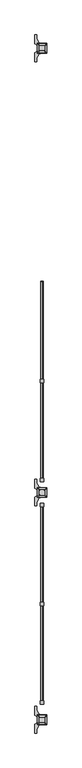
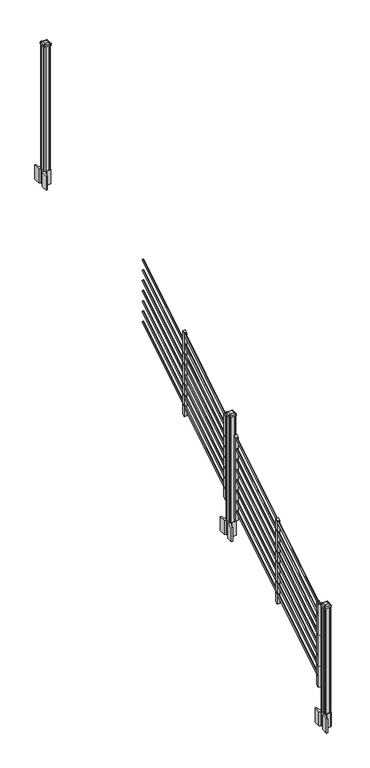
"""IFC4 building model written with IfcOpenShell, lengths in millimetres: railing geometry."""

from ifc_helpers import new_model, si_unit, point, frame, frame_2d, origin, origin_2d, place, context, project, spatial, polyline, circle_curve, trimmed, segment, composite_curve, outline, extrude, source, transform, mapped, element, save
from ifc_brep_helpers import plane_surface, extruded_surface, advanced_brep


def railing_17501598(model_context):
    return source(origin(), model_context, "Body", "SolidModel", [
        extrude(outline(composite_curve([segment(trimmed(circle_curve(origin_2d(), 8.001), [point((0.0, 8.001))], [point((0.0, -8.001))], False, "CARTESIAN"), True, "CONTINUOUS"), segment(trimmed(circle_curve(origin_2d(), 8.001), [point((0.0, -8.001))], [point((0.0, 8.001))], False, "CARTESIAN"), True, "CONTINUOUS")], self_intersect=False)), frame((9702.9274858, -140274.2068453, 1983.9796159), z_axis=(0.0, 0.8479983040051254, 0.5299989400031201), x_axis=(1.0, 0.0, 0.0)), (0.0, 0.0, 1.0), 868.6338127),
        extrude(outline(composite_curve([segment(trimmed(circle_curve(origin_2d(), 8.001), [point((0.0, 8.001))], [point((0.0, -8.001))], False, "CARTESIAN"), True, "CONTINUOUS"), segment(trimmed(circle_curve(origin_2d(), 8.001), [point((0.0, -8.001))], [point((0.0, 8.001))], False, "CARTESIAN"), True, "CONTINUOUS")], self_intersect=False)), frame((9702.9274858, -140274.2068453, 2095.1695274), z_axis=(0.0, 0.8479983040051253, 0.5299989400031203), x_axis=(1.0, 0.0, 0.0)), (0.0, 0.0, 1.0), 868.6338127),
        extrude(outline(composite_curve([segment(trimmed(circle_curve(origin_2d(), 8.001), [point((0.0, 8.001))], [point((0.0, -8.001))], False, "CARTESIAN"), True, "CONTINUOUS"), segment(trimmed(circle_curve(origin_2d(), 8.001), [point((0.0, -8.001))], [point((0.0, 8.001))], False, "CARTESIAN"), True, "CONTINUOUS")], self_intersect=False)), frame((9702.9274858, -140274.2068453, 2206.359439), z_axis=(0.0, 0.8479983040051253, 0.5299989400031203), x_axis=(1.0, 0.0, 0.0)), (0.0, 0.0, 1.0), 868.6338127),
        extrude(outline(composite_curve([segment(trimmed(circle_curve(origin_2d(), 8.001), [point((0.0, 8.001))], [point((0.0, -8.001))], False, "CARTESIAN"), True, "CONTINUOUS"), segment(trimmed(circle_curve(origin_2d(), 8.001), [point((0.0, -8.001))], [point((0.0, 8.001))], False, "CARTESIAN"), True, "CONTINUOUS")], self_intersect=False)), frame((9702.9274858, -140274.2068453, 2317.5493506), z_axis=(0.0, 0.8479983040051253, 0.5299989400031203), x_axis=(1.0, 0.0, 0.0)), (0.0, 0.0, 1.0), 868.6338127),
        extrude(outline(composite_curve([segment(trimmed(circle_curve(origin_2d(), 8.001), [point((0.0, 8.001))], [point((0.0, -8.001))], False, "CARTESIAN"), True, "CONTINUOUS"), segment(trimmed(circle_curve(origin_2d(), 8.001), [point((0.0, -8.001))], [point((0.0, 8.001))], False, "CARTESIAN"), True, "CONTINUOUS")], self_intersect=False)), frame((9702.9274858, -140274.2068453, 2428.7392622), z_axis=(0.0, 0.8479983040051254, 0.5299989400031202), x_axis=(1.0, 0.0, 0.0)), (0.0, 0.0, 1.0), 868.6338127),
        extrude(outline(composite_curve([segment(trimmed(circle_curve(origin_2d(), 8.001), [point((0.0, 8.001))], [point((0.0, -8.001))], False, "CARTESIAN"), True, "CONTINUOUS"), segment(trimmed(circle_curve(origin_2d(), 8.001), [point((0.0, -8.001))], [point((0.0, 8.001))], False, "CARTESIAN"), True, "CONTINUOUS")], self_intersect=False)), frame((9702.9274858, -140274.2068453, 2539.9291737), z_axis=(0.0, 0.8479983040051253, 0.5299989400031202), x_axis=(1.0, 0.0, 0.0)), (0.0, 0.0, 1.0), 868.6338127),
        extrude(outline(composite_curve([segment(trimmed(circle_curve(origin_2d(), 8.001), [point((0.0, 8.001))], [point((0.0, -8.001))], False, "CARTESIAN"), True, "CONTINUOUS"), segment(trimmed(circle_curve(origin_2d(), 8.001), [point((0.0, -8.001))], [point((0.0, 8.001))], False, "CARTESIAN"), True, "CONTINUOUS")], self_intersect=False)), frame((9702.9274858, -140274.2068453, 2651.1190853), z_axis=(0.0, 0.8479983040051253, 0.5299989400031203), x_axis=(1.0, 0.0, 0.0)), (0.0, 0.0, 1.0), 868.6338127),
        extrude(outline(polyline([(-140256.4268453, 1894.0103781), (-140281.8268453, 1878.1353781), (-140281.8268453, 2771.4575), (-140256.4268453, 2787.3325), (-140256.4268453, 1894.0103781)])), frame((9690.5376478, 0.0, 0.0), z_axis=(1.0, 0.0, 0.0), x_axis=(0.0, 1.0, 0.0)), (0.0, 0.0, 1.0), 25.4),
        extrude(outline(composite_curve([segment(trimmed(circle_curve(origin_2d(), 8.001), [point((0.0, 8.001))], [point((0.0, -8.001))], False, "CARTESIAN"), True, "CONTINUOUS"), segment(trimmed(circle_curve(origin_2d(), 8.001), [point((0.0, -8.001))], [point((0.0, 8.001))], False, "CARTESIAN"), True, "CONTINUOUS")], self_intersect=False)), frame((9702.9274858, -141000.6468453, 2308.2839969), z_axis=(0.0, 0.8479983040051253, 0.5299989400031202), x_axis=(1.0, 0.0, 0.0)), (0.0, 0.0, 1.0), 868.6338127),
        extrude(outline(composite_curve([segment(trimmed(circle_curve(origin_2d(), 8.001), [point((0.0, 8.001))], [point((0.0, -8.001))], False, "CARTESIAN"), True, "CONTINUOUS"), segment(trimmed(circle_curve(origin_2d(), 8.001), [point((0.0, -8.001))], [point((0.0, 8.001))], False, "CARTESIAN"), True, "CONTINUOUS")], self_intersect=False)), frame((9702.9274858, -141000.6468453, 1529.9546159), z_axis=(0.0, 0.8479983040051254, 0.5299989400031201), x_axis=(1.0, 0.0, 0.0)), (0.0, 0.0, 1.0), 868.6338127),
        extrude(outline(composite_curve([segment(trimmed(circle_curve(origin_2d(), 8.001), [point((0.0, 8.001))], [point((0.0, -8.001))], False, "CARTESIAN"), True, "CONTINUOUS"), segment(trimmed(circle_curve(origin_2d(), 8.001), [point((0.0, -8.001))], [point((0.0, 8.001))], False, "CARTESIAN"), True, "CONTINUOUS")], self_intersect=False)), frame((9702.9274858, -141000.6468453, 1641.1445274), z_axis=(0.0, 0.8479983040051253, 0.5299989400031203), x_axis=(1.0, 0.0, 0.0)), (0.0, 0.0, 1.0), 868.6338127),
        extrude(outline(composite_curve([segment(trimmed(circle_curve(origin_2d(), 8.001), [point((0.0, 8.001))], [point((0.0, -8.001))], False, "CARTESIAN"), True, "CONTINUOUS"), segment(trimmed(circle_curve(origin_2d(), 8.001), [point((0.0, -8.001))], [point((0.0, 8.001))], False, "CARTESIAN"), True, "CONTINUOUS")], self_intersect=False)), frame((9702.9274858, -141000.6468453, 1752.334439), z_axis=(0.0, 0.8479983040051253, 0.5299989400031203), x_axis=(1.0, 0.0, 0.0)), (0.0, 0.0, 1.0), 868.6338127),
        extrude(outline(composite_curve([segment(trimmed(circle_curve(origin_2d(), 8.001), [point((0.0, 8.001))], [point((0.0, -8.001))], False, "CARTESIAN"), True, "CONTINUOUS"), segment(trimmed(circle_curve(origin_2d(), 8.001), [point((0.0, -8.001))], [point((0.0, 8.001))], False, "CARTESIAN"), True, "CONTINUOUS")], self_intersect=False)), frame((9702.9274858, -141000.6468453, 1863.5243506), z_axis=(0.0, 0.8479983040051253, 0.5299989400031203), x_axis=(1.0, 0.0, 0.0)), (0.0, 0.0, 1.0), 868.6338127),
        extrude(outline(composite_curve([segment(trimmed(circle_curve(origin_2d(), 8.001), [point((0.0, 8.001))], [point((0.0, -8.001))], False, "CARTESIAN"), True, "CONTINUOUS"), segment(trimmed(circle_curve(origin_2d(), 8.001), [point((0.0, -8.001))], [point((0.0, 8.001))], False, "CARTESIAN"), True, "CONTINUOUS")], self_intersect=False)), frame((9702.9274858, -141000.6468453, 1974.7142622), z_axis=(0.0, 0.8479983040051254, 0.5299989400031202), x_axis=(1.0, 0.0, 0.0)), (0.0, 0.0, 1.0), 868.6338127),
        extrude(outline(composite_curve([segment(trimmed(circle_curve(origin_2d(), 8.001), [point((0.0, 8.001))], [point((0.0, -8.001))], False, "CARTESIAN"), True, "CONTINUOUS"), segment(trimmed(circle_curve(origin_2d(), 8.001), [point((0.0, -8.001))], [point((0.0, 8.001))], False, "CARTESIAN"), True, "CONTINUOUS")], self_intersect=False)), frame((9702.9274858, -141000.6468453, 2085.9041737), z_axis=(0.0, 0.8479983040051253, 0.5299989400031202), x_axis=(1.0, 0.0, 0.0)), (0.0, 0.0, 1.0), 868.6338127),
        extrude(outline(composite_curve([segment(trimmed(circle_curve(origin_2d(), 8.001), [point((0.0, 8.001))], [point((0.0, -8.001))], False, "CARTESIAN"), True, "CONTINUOUS"), segment(trimmed(circle_curve(origin_2d(), 8.001), [point((0.0, -8.001))], [point((0.0, 8.001))], False, "CARTESIAN"), True, "CONTINUOUS")], self_intersect=False)), frame((9702.9274858, -141000.6468453, 2197.0940853), z_axis=(0.0, 0.8479983040051253, 0.5299989400031203), x_axis=(1.0, 0.0, 0.0)), (0.0, 0.0, 1.0), 868.6338127),
        extrude(outline(polyline([(-140982.8668453, 1439.9853781), (-141008.2668453, 1424.1103781), (-141008.2668453, 2317.4325), (-140982.8668453, 2333.3075), (-140982.8668453, 1439.9853781)])), frame((9690.5376478, 0.0, 0.0), z_axis=(1.0, 0.0, 0.0), x_axis=(0.0, 1.0, 0.0)), (0.0, 0.0, 1.0), 25.4),
        extrude(outline(composite_curve([segment(polyline([(9736.2893978, -141106.1709401), (9737.8768978, -141106.9329401), (9737.8768978, -141120.4638682), (9734.6626707, -141123.6780953), (9682.9819999, -141123.6780953), (9682.9819999, -141124.5988453), (9687.3323311, -141124.5988453), (9687.3323311, -141126.0531), (9682.2478014, -141126.0531), (9682.2478014, -141127.3371238), (9690.0385135, -141127.3371238)]), True, "CONTINUOUS"), segment(trimmed(circle_curve(frame_2d((9690.0385135, -141144.0803337)), 16.7432099), [point((9690.0385135, -141127.3371238))], [point((9673.4163912, -141142.070327))], True, "CARTESIAN"), True, "CONTINUOUS"), segment(polyline([(9673.4163912, -141142.070327), (9665.7009469, -141159.1056654)]), True, "CONTINUOUS"), segment(trimmed(circle_curve(frame_2d((9710.8017103, -141175.3777151)), 47.9464123), [point((9665.7009469, -141159.1056654))], [point((9662.855298, -141175.3777151))], True, "CARTESIAN"), True, "CONTINUOUS"), segment(polyline([(9662.855298, -141175.3777151), (9662.855298, -141187.3864547), (9650.6517103, -141187.3864547), (9650.6517103, -141122.0905953), (9668.5983978, -141110.514179), (9668.5983978, -141106.9329401), (9670.1858978, -141106.1709401), (9670.1858978, -141071.9067504), (9668.5983978, -141071.1447504), (9668.5983978, -141067.5635116), (9650.6517103, -141055.9870953), (9650.6517103, -140990.6912359), (9662.855298, -140990.6912359), (9662.855298, -141002.6999755)]), True, "CONTINUOUS"), segment(trimmed(circle_curve(frame_2d((9710.8017103, -141002.6999755)), 47.9464123), [point((9662.855298, -141002.6999755))], [point((9665.7009469, -141018.9720251))], True, "CARTESIAN"), True, "CONTINUOUS"), segment(polyline([(9665.7009469, -141018.9720251), (9673.4163912, -141036.0073636)]), True, "CONTINUOUS"), segment(trimmed(circle_curve(frame_2d((9690.0385135, -141033.9973569)), 16.7432099), [point((9673.4163912, -141036.0073636))], [point((9690.0385135, -141050.7405668))], True, "CARTESIAN"), True, "CONTINUOUS"), segment(polyline([(9690.0385135, -141050.7405668), (9691.7057858, -141050.7405668), (9691.7057858, -141052.0245906), (9687.3323311, -141052.0245906), (9687.3323311, -141053.4788453), (9682.9819999, -141053.4788453), (9682.9819999, -141054.3995953), (9734.6626707, -141054.3995953), (9737.8768978, -141057.6138224), (9737.8768978, -141071.1447504), (9736.2893978, -141071.9067504), (9736.2893978, -141106.1709401)]), True, "CONTINUOUS")], self_intersect=False), holes=[polyline([(9671.4876478, -141058.8763453), (9671.4876478, -141119.2013453), (9673.0751478, -141120.7888453), (9700.4744304, -141120.7888453), (9733.4001478, -141120.7888453), (9734.9876478, -141119.2013453), (9734.9876478, -141058.8763453), (9733.4001478, -141057.2888453), (9700.4744304, -141057.2888453), (9673.0751478, -141057.2888453), (9671.4876478, -141058.8763453)])]), frame((0.0, 0.0, 1094.74), z_axis=(0.0, 0.0, 1.0), x_axis=(1.0, 0.0, 0.0)), (0.0, 0.0, 1.0), 152.4),
        advanced_brep(
        [(9687.3626478, -141108.0888453, 2412.489263), (9719.1126478, -141108.0888453, 2412.489263), (9722.2876478, -141104.9138453, 2412.489263), (9722.2876478, -141073.1638453, 2412.489263), (9719.1126478, -141069.9888453, 2412.489263), (9687.3626478, -141069.9888453, 2412.489263), (9684.1876478, -141073.1638453, 2412.489263), (9684.1876478, -141104.9138453, 2412.489263), (9670.8526478, -141124.5988453, 2401.186263), (9667.6776478, -141121.4238453, 2401.186263), (9667.6776478, -141056.6538453, 2401.186263), (9670.8526478, -141053.4788453, 2401.186263), (9735.6226478, -141053.4788453, 2401.186263), (9738.7976478, -141056.6538453, 2401.186263), (9738.7976478, -141121.4238453, 2401.186263), (9735.6226478, -141124.5988453, 2401.186263)],
        [
            (0, 1),
            (1, 2, circle_curve(frame((9719.1126478, -141104.9138453, 2412.489263), z_axis=(0.0, 0.0, 1.0), x_axis=(0.0, 1.0, 0.0)), 3.175)),
            (2, 3),
            (3, 4, circle_curve(frame((9719.1126478, -141073.1638453, 2412.489263), z_axis=(0.0, 0.0, 1.0), x_axis=(0.0, 1.0, 0.0)), 3.175)),
            (4, 5),
            (5, 6, circle_curve(frame((9687.3626478, -141073.1638453, 2412.489263), z_axis=(0.0, 0.0, 1.0), x_axis=(0.0, 1.0, 0.0)), 3.175)),
            (6, 7),
            (7, 0, circle_curve(frame((9687.3626478, -141104.9138453, 2412.489263), z_axis=(0.0, 0.0, 1.0), x_axis=(0.0, 1.0, 0.0)), 3.175)),
            (8, 9, circle_curve(frame((9670.8526478, -141121.4238453, 2401.186263), z_axis=(0.0, 0.0, -1.0), x_axis=(0.0, 1.0, 0.0)), 3.175)),
            (9, 10),
            (10, 11, circle_curve(frame((9670.8526478, -141056.6538453, 2401.186263), z_axis=(0.0, 0.0, -1.0), x_axis=(0.0, 1.0, 0.0)), 3.175)),
            (11, 12),
            (12, 13, circle_curve(frame((9735.6226478, -141056.6538453, 2401.186263), z_axis=(0.0, 0.0, -1.0), x_axis=(0.0, 1.0, 0.0)), 3.175)),
            (13, 14),
            (14, 15, circle_curve(frame((9735.6226478, -141121.4238453, 2401.186263), z_axis=(0.0, 0.0, -1.0), x_axis=(0.0, 1.0, 0.0)), 3.175)),
            (15, 8),
            (8, 0),
            (7, 9),
            (6, 10),
            (5, 11),
            (4, 12),
            (3, 13),
            (2, 14),
            (1, 15),
        ],
        [
            plane_surface(frame((9703.2376478, -141089.0388453, 2412.489263), z_axis=(0.0, 0.0, 1.0), x_axis=(-1.0, 0.0, 0.0))),
            plane_surface(frame((9703.2376478, -141089.0388453, 2401.186263), z_axis=(0.0, 0.0, -1.0), x_axis=(-1.0, 0.0, 0.0))),
            extruded_surface(trimmed(circle_curve(frame((9687.3626478, -141104.9138453, 2412.489263), z_axis=(0.0, 0.0, -1.0), x_axis=(0.0, 1.0, 0.0)), 3.175), [point((9687.3626478, -141108.0888453, 2412.489263))], [point((9684.1876478, -141104.9138453, 2412.489263))], True, "CARTESIAN"), (-16.51000000000022, -16.510000000009313, -11.302999999999884), 25.940663233624388),
            plane_surface(frame((9667.6776478, -141089.0388453, 2401.186263), z_axis=(-0.5649114395471265, 0.0, 0.8251515409116033), x_axis=(0.0, 1.0, 0.0))),
            extruded_surface(trimmed(circle_curve(frame((9687.3626478, -141073.1638453, 2412.489263), z_axis=(0.0, 0.0, -1.0), x_axis=(0.0, 1.0, 0.0)), 3.175), [point((9684.1876478, -141073.1638453, 2412.489263))], [point((9687.3626478, -141069.9888453, 2412.489263))], True, "CARTESIAN"), (-16.51000000000022, 16.510000000009313, -11.302999999999884), 25.940663233624388),
            plane_surface(frame((9703.2376478, -141053.4788453, 2401.186263), z_axis=(0.0, 0.564911439547091, 0.8251515409116277), x_axis=(1.0, 0.0, 0.0))),
            extruded_surface(trimmed(circle_curve(frame((9719.1126478, -141073.1638453, 2412.489263), z_axis=(0.0, 0.0, -1.0), x_axis=(0.0, 1.0, 0.0)), 3.175), [point((9719.1126478, -141069.9888453, 2412.489263))], [point((9722.2876478, -141073.1638453, 2412.489263))], True, "CARTESIAN"), (16.51000000000022, 16.510000000009313, -11.302999999999884), 25.940663233624388),
            plane_surface(frame((9738.7976478, -141089.0388453, 2401.186263), z_axis=(0.5649114395470568, 0.0, 0.825151540911651), x_axis=(0.0, -1.0, 0.0))),
            extruded_surface(trimmed(circle_curve(frame((9719.1126478, -141104.9138453, 2412.489263), z_axis=(0.0, 0.0, -1.0), x_axis=(0.0, 1.0, 0.0)), 3.175), [point((9722.2876478, -141104.9138453, 2412.489263))], [point((9719.1126478, -141108.0888453, 2412.489263))], True, "CARTESIAN"), (16.51000000000022, -16.510000000009313, -11.302999999999884), 25.940663233624388),
            plane_surface(frame((9703.2376478, -141124.5988453, 2401.186263), z_axis=(0.0, -0.5649114395471048, 0.8251515409116182), x_axis=(-1.0, 0.0, 0.0))),
        ],
        [
            (0, [[1, 2, 3, 4, 5, 6, 7, 8]]),
            (1, [[9, 10, 11, 12, 13, 14, 15, 16]]),
            (2, [[17, -8, 18, -9]]),
            (3, [[-18, -7, 19, -10]]),
            (4, [[-19, -6, 20, -11]]),
            (5, [[-20, -5, 21, -12]]),
            (6, [[-21, -4, 22, -13]]),
            (7, [[-22, -3, 23, -14]]),
            (8, [[-23, -2, 24, -15]]),
            (9, [[-24, -1, -17, -16]]),
        ],
    ),
        extrude(outline(composite_curve([segment(trimmed(circle_curve(frame_2d((9670.8526478, -141121.4238453)), 3.175), [point((9670.8526478, -141124.5988453))], [point((9667.6776478, -141121.4238453))], False, "CARTESIAN"), True, "CONTINUOUS"), segment(polyline([(9667.6776478, -141121.4238453), (9667.6776478, -141056.6538453)]), True, "CONTINUOUS"), segment(trimmed(circle_curve(frame_2d((9670.8526478, -141056.6538453)), 3.175), [point((9667.6776478, -141056.6538453))], [point((9670.8526478, -141053.4788453))], False, "CARTESIAN"), True, "CONTINUOUS"), segment(polyline([(9670.8526478, -141053.4788453), (9735.6226478, -141053.4788453)]), True, "CONTINUOUS"), segment(trimmed(circle_curve(frame_2d((9735.6226478, -141056.6538453)), 3.175), [point((9735.6226478, -141053.4788453))], [point((9738.7976478, -141056.6538453))], False, "CARTESIAN"), True, "CONTINUOUS"), segment(polyline([(9738.7976478, -141056.6538453), (9738.7976478, -141121.4238453)]), True, "CONTINUOUS"), segment(trimmed(circle_curve(frame_2d((9735.6226478, -141121.4238453)), 3.175), [point((9738.7976478, -141121.4238453))], [point((9735.6226478, -141124.5988453))], False, "CARTESIAN"), True, "CONTINUOUS"), segment(polyline([(9735.6226478, -141124.5988453), (9670.8526478, -141124.5988453)]), True, "CONTINUOUS")], self_intersect=False)), frame((0.0, 0.0, 2383.914263), z_axis=(0.0, 0.0, 1.0), x_axis=(1.0, 0.0, 0.0)), (0.0, 0.0, 1.0), 17.272),
        extrude(outline(polyline([(9673.0751478, -141120.7888453), (9671.4876478, -141119.2013453), (9671.4876478, -141108.8508453), (9673.0751478, -141108.0888453), (9673.0751478, -141069.9888453), (9671.4876478, -141069.2268453), (9671.4876478, -141058.8763453), (9673.0751478, -141057.2888453), (9683.4256478, -141057.2888453), (9684.1876478, -141058.8763453), (9722.2876478, -141058.8763453), (9723.0496478, -141057.2888453), (9733.4001478, -141057.2888453), (9734.9876478, -141058.8763453), (9734.9876478, -141069.2268453), (9733.4001478, -141069.9888453), (9733.4001478, -141108.0888453), (9734.9876478, -141108.8508453), (9734.9876478, -141119.2013453), (9733.4001478, -141120.7888453), (9723.0496478, -141120.7888453), (9722.2876478, -141119.2013453), (9684.1876478, -141119.2013453), (9683.4256478, -141120.7888453), (9673.0751478, -141120.7888453)])), frame((0.0, 0.0, 1247.14), z_axis=(0.0, 0.0, 1.0), x_axis=(1.0, 0.0, 0.0)), (0.0, 0.0, 1.0), 1136.774263),
        extrude(outline(polyline([(-141169.8108453, 1323.1453781), (-141195.2108453, 1307.2703781), (-141195.2108453, 2200.5925), (-141169.8108453, 2216.4675), (-141169.8108453, 1323.1453781)])), frame((9690.5376478, 0.0, 0.0), z_axis=(1.0, 0.0, 0.0), x_axis=(0.0, 1.0, 0.0)), (0.0, 0.0, 1.0), 25.4),
        extrude(outline(composite_curve([segment(trimmed(circle_curve(origin_2d(), 8.001), [point((0.0, 8.001))], [point((0.0, -8.001))], False, "CARTESIAN"), True, "CONTINUOUS"), segment(trimmed(circle_curve(origin_2d(), 8.001), [point((0.0, -8.001))], [point((0.0, 8.001))], False, "CARTESIAN"), True, "CONTINUOUS")], self_intersect=False)), frame((9702.9274858, -141914.0308453, 1737.4189969), z_axis=(0.0, 0.8479983040051253, 0.5299989400031202), x_axis=(1.0, 0.0, 0.0)), (0.0, 0.0, 1.0), 868.6338127),
        extrude(outline(composite_curve([segment(trimmed(circle_curve(origin_2d(), 8.001), [point((0.0, 8.001))], [point((0.0, -8.001))], False, "CARTESIAN"), True, "CONTINUOUS"), segment(trimmed(circle_curve(origin_2d(), 8.001), [point((0.0, -8.001))], [point((0.0, 8.001))], False, "CARTESIAN"), True, "CONTINUOUS")], self_intersect=False)), frame((9702.9274858, -141914.0308453, 959.0896159), z_axis=(0.0, 0.8479983040051254, 0.5299989400031201), x_axis=(1.0, 0.0, 0.0)), (0.0, 0.0, 1.0), 868.6338127),
        extrude(outline(composite_curve([segment(trimmed(circle_curve(origin_2d(), 8.001), [point((0.0, 8.001))], [point((0.0, -8.001))], False, "CARTESIAN"), True, "CONTINUOUS"), segment(trimmed(circle_curve(origin_2d(), 8.001), [point((0.0, -8.001))], [point((0.0, 8.001))], False, "CARTESIAN"), True, "CONTINUOUS")], self_intersect=False)), frame((9702.9274858, -141914.0308453, 1070.2795274), z_axis=(0.0, 0.8479983040051253, 0.5299989400031203), x_axis=(1.0, 0.0, 0.0)), (0.0, 0.0, 1.0), 868.6338127),
        extrude(outline(composite_curve([segment(trimmed(circle_curve(origin_2d(), 8.001), [point((0.0, 8.001))], [point((0.0, -8.001))], False, "CARTESIAN"), True, "CONTINUOUS"), segment(trimmed(circle_curve(origin_2d(), 8.001), [point((0.0, -8.001))], [point((0.0, 8.001))], False, "CARTESIAN"), True, "CONTINUOUS")], self_intersect=False)), frame((9702.9274858, -141914.0308453, 1181.469439), z_axis=(0.0, 0.8479983040051253, 0.5299989400031203), x_axis=(1.0, 0.0, 0.0)), (0.0, 0.0, 1.0), 868.6338127),
        extrude(outline(composite_curve([segment(trimmed(circle_curve(origin_2d(), 8.001), [point((0.0, 8.001))], [point((0.0, -8.001))], False, "CARTESIAN"), True, "CONTINUOUS"), segment(trimmed(circle_curve(origin_2d(), 8.001), [point((0.0, -8.001))], [point((0.0, 8.001))], False, "CARTESIAN"), True, "CONTINUOUS")], self_intersect=False)), frame((9702.9274858, -141914.0308453, 1292.6593506), z_axis=(0.0, 0.8479983040051253, 0.5299989400031203), x_axis=(1.0, 0.0, 0.0)), (0.0, 0.0, 1.0), 868.6338127),
        extrude(outline(composite_curve([segment(trimmed(circle_curve(origin_2d(), 8.001), [point((0.0, 8.001))], [point((0.0, -8.001))], False, "CARTESIAN"), True, "CONTINUOUS"), segment(trimmed(circle_curve(origin_2d(), 8.001), [point((0.0, -8.001))], [point((0.0, 8.001))], False, "CARTESIAN"), True, "CONTINUOUS")], self_intersect=False)), frame((9702.9274858, -141914.0308453, 1403.8492622), z_axis=(0.0, 0.8479983040051254, 0.5299989400031202), x_axis=(1.0, 0.0, 0.0)), (0.0, 0.0, 1.0), 868.6338127),
        extrude(outline(composite_curve([segment(trimmed(circle_curve(origin_2d(), 8.001), [point((0.0, 8.001))], [point((0.0, -8.001))], False, "CARTESIAN"), True, "CONTINUOUS"), segment(trimmed(circle_curve(origin_2d(), 8.001), [point((0.0, -8.001))], [point((0.0, 8.001))], False, "CARTESIAN"), True, "CONTINUOUS")], self_intersect=False)), frame((9702.9274858, -141914.0308453, 1515.0391737), z_axis=(0.0, 0.8479983040051253, 0.5299989400031202), x_axis=(1.0, 0.0, 0.0)), (0.0, 0.0, 1.0), 868.6338127),
        extrude(outline(composite_curve([segment(trimmed(circle_curve(origin_2d(), 8.001), [point((0.0, 8.001))], [point((0.0, -8.001))], False, "CARTESIAN"), True, "CONTINUOUS"), segment(trimmed(circle_curve(origin_2d(), 8.001), [point((0.0, -8.001))], [point((0.0, 8.001))], False, "CARTESIAN"), True, "CONTINUOUS")], self_intersect=False)), frame((9702.9274858, -141914.0308453, 1626.2290853), z_axis=(0.0, 0.8479983040051253, 0.5299989400031203), x_axis=(1.0, 0.0, 0.0)), (0.0, 0.0, 1.0), 868.6338127),
        extrude(outline(polyline([(-141896.2508453, 869.1203781), (-141921.6508453, 853.2453781), (-141921.6508453, 1746.5675), (-141896.2508453, 1762.4425), (-141896.2508453, 869.1203781)])), frame((9690.5376478, 0.0, 0.0), z_axis=(1.0, 0.0, 0.0), x_axis=(0.0, 1.0, 0.0)), (0.0, 0.0, 1.0), 25.4),
        extrude(outline(composite_curve([segment(trimmed(circle_curve(origin_2d(), 8.001), [point((0.0, 8.001))], [point((0.0, -8.001))], False, "CARTESIAN"), True, "CONTINUOUS"), segment(trimmed(circle_curve(origin_2d(), 8.001), [point((0.0, -8.001))], [point((0.0, 8.001))], False, "CARTESIAN"), True, "CONTINUOUS")], self_intersect=False)), frame((9702.9274858, -142640.4708453, 1283.3939969), z_axis=(0.0, 0.8479983040051253, 0.5299989400031202), x_axis=(1.0, 0.0, 0.0)), (0.0, 0.0, 1.0), 868.6338127),
        extrude(outline(composite_curve([segment(trimmed(circle_curve(origin_2d(), 8.001), [point((0.0, 8.001))], [point((0.0, -8.001))], False, "CARTESIAN"), True, "CONTINUOUS"), segment(trimmed(circle_curve(origin_2d(), 8.001), [point((0.0, -8.001))], [point((0.0, 8.001))], False, "CARTESIAN"), True, "CONTINUOUS")], self_intersect=False)), frame((9702.9274858, -142640.4708453, 505.0646159), z_axis=(0.0, 0.8479983040051254, 0.5299989400031201), x_axis=(1.0, 0.0, 0.0)), (0.0, 0.0, 1.0), 868.6338127),
        extrude(outline(composite_curve([segment(trimmed(circle_curve(origin_2d(), 8.001), [point((0.0, 8.001))], [point((0.0, -8.001))], False, "CARTESIAN"), True, "CONTINUOUS"), segment(trimmed(circle_curve(origin_2d(), 8.001), [point((0.0, -8.001))], [point((0.0, 8.001))], False, "CARTESIAN"), True, "CONTINUOUS")], self_intersect=False)), frame((9702.9274858, -142640.4708453, 616.2545274), z_axis=(0.0, 0.8479983040051253, 0.5299989400031203), x_axis=(1.0, 0.0, 0.0)), (0.0, 0.0, 1.0), 868.6338127),
        extrude(outline(composite_curve([segment(trimmed(circle_curve(origin_2d(), 8.001), [point((0.0, 8.001))], [point((0.0, -8.001))], False, "CARTESIAN"), True, "CONTINUOUS"), segment(trimmed(circle_curve(origin_2d(), 8.001), [point((0.0, -8.001))], [point((0.0, 8.001))], False, "CARTESIAN"), True, "CONTINUOUS")], self_intersect=False)), frame((9702.9274858, -142640.4708453, 727.444439), z_axis=(0.0, 0.8479983040051253, 0.5299989400031203), x_axis=(1.0, 0.0, 0.0)), (0.0, 0.0, 1.0), 868.6338127),
        extrude(outline(composite_curve([segment(trimmed(circle_curve(origin_2d(), 8.001), [point((0.0, 8.001))], [point((0.0, -8.001))], False, "CARTESIAN"), True, "CONTINUOUS"), segment(trimmed(circle_curve(origin_2d(), 8.001), [point((0.0, -8.001))], [point((0.0, 8.001))], False, "CARTESIAN"), True, "CONTINUOUS")], self_intersect=False)), frame((9702.9274858, -142640.4708453, 838.6343506), z_axis=(0.0, 0.8479983040051253, 0.5299989400031203), x_axis=(1.0, 0.0, 0.0)), (0.0, 0.0, 1.0), 868.6338127),
        extrude(outline(composite_curve([segment(trimmed(circle_curve(origin_2d(), 8.001), [point((0.0, 8.001))], [point((0.0, -8.001))], False, "CARTESIAN"), True, "CONTINUOUS"), segment(trimmed(circle_curve(origin_2d(), 8.001), [point((0.0, -8.001))], [point((0.0, 8.001))], False, "CARTESIAN"), True, "CONTINUOUS")], self_intersect=False)), frame((9702.9274858, -142640.4708453, 949.8242622), z_axis=(0.0, 0.8479983040051254, 0.5299989400031202), x_axis=(1.0, 0.0, 0.0)), (0.0, 0.0, 1.0), 868.6338127),
        extrude(outline(composite_curve([segment(trimmed(circle_curve(origin_2d(), 8.001), [point((0.0, 8.001))], [point((0.0, -8.001))], False, "CARTESIAN"), True, "CONTINUOUS"), segment(trimmed(circle_curve(origin_2d(), 8.001), [point((0.0, -8.001))], [point((0.0, 8.001))], False, "CARTESIAN"), True, "CONTINUOUS")], self_intersect=False)), frame((9702.9274858, -142640.4708453, 1061.0141737), z_axis=(0.0, 0.8479983040051253, 0.5299989400031202), x_axis=(1.0, 0.0, 0.0)), (0.0, 0.0, 1.0), 868.6338127),
        extrude(outline(composite_curve([segment(trimmed(circle_curve(origin_2d(), 8.001), [point((0.0, 8.001))], [point((0.0, -8.001))], False, "CARTESIAN"), True, "CONTINUOUS"), segment(trimmed(circle_curve(origin_2d(), 8.001), [point((0.0, -8.001))], [point((0.0, 8.001))], False, "CARTESIAN"), True, "CONTINUOUS")], self_intersect=False)), frame((9702.9274858, -142640.4708453, 1172.2040853), z_axis=(0.0, 0.8479983040051253, 0.5299989400031203), x_axis=(1.0, 0.0, 0.0)), (0.0, 0.0, 1.0), 868.6338127),
        extrude(outline(polyline([(-142622.6908453, 415.0953781), (-142648.0908453, 399.2203781), (-142648.0908453, 1292.5425), (-142622.6908453, 1308.4175), (-142622.6908453, 415.0953781)])), frame((9690.5376478, 0.0, 0.0), z_axis=(1.0, 0.0, 0.0), x_axis=(0.0, 1.0, 0.0)), (0.0, 0.0, 1.0), 25.4),
        extrude(outline(polyline([(9673.0751478, -137852.0628453), (9671.4876478, -137850.4753453), (9671.4876478, -137840.1248453), (9673.0751478, -137839.3628453), (9673.0751478, -137801.2628453), (9671.4876478, -137800.5008453), (9671.4876478, -137790.1503453), (9673.0751478, -137788.5628453), (9683.4256478, -137788.5628453), (9684.1876478, -137790.1503453), (9722.2876478, -137790.1503453), (9723.0496478, -137788.5628453), (9733.4001478, -137788.5628453), (9734.9876478, -137790.1503453), (9734.9876478, -137800.5008453), (9733.4001478, -137801.2628453), (9733.4001478, -137839.3628453), (9734.9876478, -137840.1248453), (9734.9876478, -137850.4753453), (9733.4001478, -137852.0628453), (9723.0496478, -137852.0628453), (9722.2876478, -137850.4753453), (9684.1876478, -137850.4753453), (9683.4256478, -137852.0628453), (9673.0751478, -137852.0628453)])), frame((0.0, 0.0, 3048.0), z_axis=(0.0, 0.0, 1.0), x_axis=(1.0, 0.0, 0.0)), (0.0, 0.0, 1.0), 1339.974263),
        extrude(outline(composite_curve([segment(polyline([(9736.2893978, -137837.4449401), (9737.8768978, -137838.2069401), (9737.8768978, -137851.7378682), (9734.6626707, -137854.9520953), (9682.9819999, -137854.9520953), (9682.9819999, -137855.8728453), (9687.3323311, -137855.8728453), (9687.3323311, -137857.3271), (9682.2478014, -137857.3271), (9682.2478014, -137858.6111238), (9690.0385135, -137858.6111238)]), True, "CONTINUOUS"), segment(trimmed(circle_curve(frame_2d((9690.0385135, -137875.3543337)), 16.7432099), [point((9690.0385135, -137858.6111238))], [point((9673.4163912, -137873.344327))], True, "CARTESIAN"), True, "CONTINUOUS"), segment(polyline([(9673.4163912, -137873.344327), (9665.7009469, -137890.3796654)]), True, "CONTINUOUS"), segment(trimmed(circle_curve(frame_2d((9710.8017103, -137906.6517151)), 47.9464123), [point((9665.7009469, -137890.3796654))], [point((9662.855298, -137906.6517151))], True, "CARTESIAN"), True, "CONTINUOUS"), segment(polyline([(9662.855298, -137906.6517151), (9662.855298, -137918.6604547), (9650.6517103, -137918.6604547), (9650.6517103, -137853.3645953), (9668.5983978, -137841.788179), (9668.5983978, -137838.2069401), (9670.1858978, -137837.4449401), (9670.1858978, -137803.1807504), (9668.5983978, -137802.4187504), (9668.5983978, -137798.8375116), (9650.6517103, -137787.2610953), (9650.6517103, -137721.9652359), (9662.855298, -137721.9652359), (9662.855298, -137733.9739755)]), True, "CONTINUOUS"), segment(trimmed(circle_curve(frame_2d((9710.8017103, -137733.9739755)), 47.9464123), [point((9662.855298, -137733.9739755))], [point((9665.7009469, -137750.2460251))], True, "CARTESIAN"), True, "CONTINUOUS"), segment(polyline([(9665.7009469, -137750.2460251), (9673.4163912, -137767.2813636)]), True, "CONTINUOUS"), segment(trimmed(circle_curve(frame_2d((9690.0385135, -137765.2713569)), 16.7432099), [point((9673.4163912, -137767.2813636))], [point((9690.0385135, -137782.0145668))], True, "CARTESIAN"), True, "CONTINUOUS"), segment(polyline([(9690.0385135, -137782.0145668), (9691.7057858, -137782.0145668), (9691.7057858, -137783.2985906), (9687.3323311, -137783.2985906), (9687.3323311, -137784.7528453), (9682.9819999, -137784.7528453), (9682.9819999, -137785.6735953), (9734.6626707, -137785.6735953), (9737.8768978, -137788.8878224), (9737.8768978, -137802.4187504), (9736.2893978, -137803.1807504), (9736.2893978, -137837.4449401)]), True, "CONTINUOUS")], self_intersect=False), holes=[polyline([(9671.4876478, -137790.1503453), (9671.4876478, -137850.4753453), (9673.0751478, -137852.0628453), (9700.4744304, -137852.0628453), (9733.4001478, -137852.0628453), (9734.9876478, -137850.4753453), (9734.9876478, -137790.1503453), (9733.4001478, -137788.5628453), (9700.4744304, -137788.5628453), (9673.0751478, -137788.5628453), (9671.4876478, -137790.1503453)])]), frame((0.0, 0.0, 2895.6), z_axis=(0.0, 0.0, 1.0), x_axis=(1.0, 0.0, 0.0)), (0.0, 0.0, 1.0), 152.4),
        advanced_brep(
        [(9687.3626478, -137839.3628453, 4416.549263), (9719.1126478, -137839.3628453, 4416.549263), (9722.2876478, -137836.1878453, 4416.549263), (9722.2876478, -137804.4378453, 4416.549263), (9719.1126478, -137801.2628453, 4416.549263), (9687.3626478, -137801.2628453, 4416.549263), (9684.1876478, -137804.4378453, 4416.549263), (9684.1876478, -137836.1878453, 4416.549263), (9670.8526478, -137855.8728453, 4405.246263), (9667.6776478, -137852.6978453, 4405.246263), (9667.6776478, -137787.9278453, 4405.246263), (9670.8526478, -137784.7528453, 4405.246263), (9735.6226478, -137784.7528453, 4405.246263), (9738.7976478, -137787.9278453, 4405.246263), (9738.7976478, -137852.6978453, 4405.246263), (9735.6226478, -137855.8728453, 4405.246263)],
        [
            (0, 1),
            (1, 2, circle_curve(frame((9719.1126478, -137836.1878453, 4416.549263), z_axis=(0.0, 0.0, 1.0), x_axis=(0.0, 1.0, 0.0)), 3.175)),
            (2, 3),
            (3, 4, circle_curve(frame((9719.1126478, -137804.4378453, 4416.549263), z_axis=(0.0, 0.0, 1.0), x_axis=(0.0, 1.0, 0.0)), 3.175)),
            (4, 5),
            (5, 6, circle_curve(frame((9687.3626478, -137804.4378453, 4416.549263), z_axis=(0.0, 0.0, 1.0), x_axis=(0.0, 1.0, 0.0)), 3.175)),
            (6, 7),
            (7, 0, circle_curve(frame((9687.3626478, -137836.1878453, 4416.549263), z_axis=(0.0, 0.0, 1.0), x_axis=(0.0, 1.0, 0.0)), 3.175)),
            (8, 9, circle_curve(frame((9670.8526478, -137852.6978453, 4405.246263), z_axis=(0.0, 0.0, -1.0), x_axis=(0.0, 1.0, 0.0)), 3.175)),
            (9, 10),
            (10, 11, circle_curve(frame((9670.8526478, -137787.9278453, 4405.246263), z_axis=(0.0, 0.0, -1.0), x_axis=(0.0, 1.0, 0.0)), 3.175)),
            (11, 12),
            (12, 13, circle_curve(frame((9735.6226478, -137787.9278453, 4405.246263), z_axis=(0.0, 0.0, -1.0), x_axis=(0.0, 1.0, 0.0)), 3.175)),
            (13, 14),
            (14, 15, circle_curve(frame((9735.6226478, -137852.6978453, 4405.246263), z_axis=(0.0, 0.0, -1.0), x_axis=(0.0, 1.0, 0.0)), 3.175)),
            (15, 8),
            (8, 0),
            (7, 9),
            (6, 10),
            (5, 11),
            (4, 12),
            (3, 13),
            (2, 14),
            (1, 15),
        ],
        [
            plane_surface(frame((9703.2376478, -137820.3128453, 4416.549263), z_axis=(0.0, 0.0, 1.0), x_axis=(-1.0, 0.0, 0.0))),
            plane_surface(frame((9703.2376478, -137820.3128453, 4405.246263), z_axis=(0.0, 0.0, -1.0), x_axis=(-1.0, 0.0, 0.0))),
            extruded_surface(trimmed(circle_curve(frame((9687.3626478, -137836.1878453, 4416.549263), z_axis=(0.0, 0.0, -1.0), x_axis=(0.0, 1.0, 0.0)), 3.175), [point((9687.3626478, -137839.3628453, 4416.549263))], [point((9684.1876478, -137836.1878453, 4416.549263))], True, "CARTESIAN"), (-16.51000000000022, -16.50999999998021, -11.302999999999884), 25.940663233605864),
            plane_surface(frame((9667.6776478, -137820.3128453, 4405.246263), z_axis=(-0.5649114395471312, 0.0, 0.8251515409116001), x_axis=(0.0, 1.0, 0.0))),
            extruded_surface(trimmed(circle_curve(frame((9687.3626478, -137804.4378453, 4416.549263), z_axis=(0.0, 0.0, -1.0), x_axis=(0.0, 1.0, 0.0)), 3.175), [point((9684.1876478, -137804.4378453, 4416.549263))], [point((9687.3626478, -137801.2628453, 4416.549263))], True, "CARTESIAN"), (-16.51000000000022, 16.510000000009313, -11.302999999999884), 25.940663233624388),
            plane_surface(frame((9703.2376478, -137784.7528453, 4405.246263), z_axis=(0.0, 0.564911439547091, 0.8251515409116277), x_axis=(1.0, 0.0, 0.0))),
            extruded_surface(trimmed(circle_curve(frame((9719.1126478, -137804.4378453, 4416.549263), z_axis=(0.0, 0.0, -1.0), x_axis=(0.0, 1.0, 0.0)), 3.175), [point((9719.1126478, -137801.2628453, 4416.549263))], [point((9722.2876478, -137804.4378453, 4416.549263))], True, "CARTESIAN"), (16.51000000000022, 16.510000000009313, -11.302999999999884), 25.940663233624388),
            plane_surface(frame((9738.7976478, -137820.3128453, 4405.246263), z_axis=(0.5649114395470521, 0.0, 0.8251515409116541), x_axis=(0.0, -1.0, 0.0))),
            extruded_surface(trimmed(circle_curve(frame((9719.1126478, -137836.1878453, 4416.549263), z_axis=(0.0, 0.0, -1.0), x_axis=(0.0, 1.0, 0.0)), 3.175), [point((9722.2876478, -137836.1878453, 4416.549263))], [point((9719.1126478, -137839.3628453, 4416.549263))], True, "CARTESIAN"), (16.51000000000022, -16.50999999998021, -11.302999999999884), 25.940663233605864),
            plane_surface(frame((9703.2376478, -137855.8728453, 4405.246263), z_axis=(0.0, -0.5649114395471048, 0.8251515409116182), x_axis=(-1.0, 0.0, 0.0))),
        ],
        [
            (0, [[1, 2, 3, 4, 5, 6, 7, 8]]),
            (1, [[9, 10, 11, 12, 13, 14, 15, 16]]),
            (2, [[17, -8, 18, -9]]),
            (3, [[-18, -7, 19, -10]]),
            (4, [[-19, -6, 20, -11]]),
            (5, [[-20, -5, 21, -12]]),
            (6, [[-21, -4, 22, -13]]),
            (7, [[-22, -3, 23, -14]]),
            (8, [[-23, -2, 24, -15]]),
            (9, [[-24, -1, -17, -16]]),
        ],
    ),
        extrude(outline(composite_curve([segment(trimmed(circle_curve(frame_2d((9670.8526478, -137852.6978453)), 3.175), [point((9670.8526478, -137855.8728453))], [point((9667.6776478, -137852.6978453))], False, "CARTESIAN"), True, "CONTINUOUS"), segment(polyline([(9667.6776478, -137852.6978453), (9667.6776478, -137787.9278453)]), True, "CONTINUOUS"), segment(trimmed(circle_curve(frame_2d((9670.8526478, -137787.9278453)), 3.175), [point((9667.6776478, -137787.9278453))], [point((9670.8526478, -137784.7528453))], False, "CARTESIAN"), True, "CONTINUOUS"), segment(polyline([(9670.8526478, -137784.7528453), (9735.6226478, -137784.7528453)]), True, "CONTINUOUS"), segment(trimmed(circle_curve(frame_2d((9735.6226478, -137787.9278453)), 3.175), [point((9735.6226478, -137784.7528453))], [point((9738.7976478, -137787.9278453))], False, "CARTESIAN"), True, "CONTINUOUS"), segment(polyline([(9738.7976478, -137787.9278453), (9738.7976478, -137852.6978453)]), True, "CONTINUOUS"), segment(trimmed(circle_curve(frame_2d((9735.6226478, -137852.6978453)), 3.175), [point((9738.7976478, -137852.6978453))], [point((9735.6226478, -137855.8728453))], False, "CARTESIAN"), True, "CONTINUOUS"), segment(polyline([(9735.6226478, -137855.8728453), (9670.8526478, -137855.8728453)]), True, "CONTINUOUS")], self_intersect=False)), frame((0.0, 0.0, 4387.974263), z_axis=(0.0, 0.0, 1.0), x_axis=(1.0, 0.0, 0.0)), (0.0, 0.0, 1.0), 17.272),
        extrude(outline(composite_curve([segment(polyline([(9736.2893978, -142777.7449401), (9737.8768978, -142778.5069401), (9737.8768978, -142792.0378682), (9734.6626707, -142795.2520953), (9682.9819999, -142795.2520953), (9682.9819999, -142796.1728453), (9687.3323311, -142796.1728453), (9687.3323311, -142797.6271), (9682.2478014, -142797.6271), (9682.2478014, -142798.9111238), (9690.0385135, -142798.9111238)]), True, "CONTINUOUS"), segment(trimmed(circle_curve(frame_2d((9690.0385135, -142815.6543337)), 16.7432099), [point((9690.0385135, -142798.9111238))], [point((9673.4163912, -142813.644327))], True, "CARTESIAN"), True, "CONTINUOUS"), segment(polyline([(9673.4163912, -142813.644327), (9665.7009469, -142830.6796654)]), True, "CONTINUOUS"), segment(trimmed(circle_curve(frame_2d((9710.8017103, -142846.9517151)), 47.9464123), [point((9665.7009469, -142830.6796654))], [point((9662.855298, -142846.9517151))], True, "CARTESIAN"), True, "CONTINUOUS"), segment(polyline([(9662.855298, -142846.9517151), (9662.855298, -142858.9604547), (9650.6517103, -142858.9604547), (9650.6517103, -142793.6645953), (9668.5983978, -142782.088179), (9668.5983978, -142778.5069401), (9670.1858978, -142777.7449401), (9670.1858978, -142743.4807504), (9668.5983978, -142742.7187504), (9668.5983978, -142739.1375116), (9650.6517103, -142727.5610953), (9650.6517103, -142662.2652359), (9662.855298, -142662.2652359), (9662.855298, -142674.2739755)]), True, "CONTINUOUS"), segment(trimmed(circle_curve(frame_2d((9710.8017103, -142674.2739755)), 47.9464123), [point((9662.855298, -142674.2739755))], [point((9665.7009469, -142690.5460251))], True, "CARTESIAN"), True, "CONTINUOUS"), segment(polyline([(9665.7009469, -142690.5460251), (9673.4163912, -142707.5813636)]), True, "CONTINUOUS"), segment(trimmed(circle_curve(frame_2d((9690.0385135, -142705.5713569)), 16.7432099), [point((9673.4163912, -142707.5813636))], [point((9690.0385135, -142722.3145668))], True, "CARTESIAN"), True, "CONTINUOUS"), segment(polyline([(9690.0385135, -142722.3145668), (9691.7057858, -142722.3145668), (9691.7057858, -142723.5985906), (9687.3323311, -142723.5985906), (9687.3323311, -142725.0528453), (9682.9819999, -142725.0528453), (9682.9819999, -142725.9735953), (9734.6626707, -142725.9735953), (9737.8768978, -142729.1878224), (9737.8768978, -142742.7187504), (9736.2893978, -142743.4807504), (9736.2893978, -142777.7449401)]), True, "CONTINUOUS")], self_intersect=False), holes=[polyline([(9671.4876478, -142730.4503453), (9671.4876478, -142790.7753453), (9673.0751478, -142792.3628453), (9700.4744304, -142792.3628453), (9733.4001478, -142792.3628453), (9734.9876478, -142790.7753453), (9734.9876478, -142730.4503453), (9733.4001478, -142728.8628453), (9700.4744304, -142728.8628453), (9673.0751478, -142728.8628453), (9671.4876478, -142730.4503453)])]), frame((0.0, 0.0, 50.00625), z_axis=(0.0, 0.0, 1.0), x_axis=(1.0, 0.0, 0.0)), (0.0, 0.0, 1.0), 152.4),
        advanced_brep(
        [(9687.3626478, -142779.6628453, 1367.755513), (9719.1126478, -142779.6628453, 1367.755513), (9722.2876478, -142776.4878453, 1367.755513), (9722.2876478, -142744.7378453, 1367.755513), (9719.1126478, -142741.5628453, 1367.755513), (9687.3626478, -142741.5628453, 1367.755513), (9684.1876478, -142744.7378453, 1367.755513), (9684.1876478, -142776.4878453, 1367.755513), (9670.8526478, -142796.1728453, 1356.452513), (9667.6776478, -142792.9978453, 1356.452513), (9667.6776478, -142728.2278453, 1356.452513), (9670.8526478, -142725.0528453, 1356.452513), (9735.6226478, -142725.0528453, 1356.452513), (9738.7976478, -142728.2278453, 1356.452513), (9738.7976478, -142792.9978453, 1356.452513), (9735.6226478, -142796.1728453, 1356.452513)],
        [
            (0, 1),
            (1, 2, circle_curve(frame((9719.1126478, -142776.4878453, 1367.755513), z_axis=(0.0, 0.0, 1.0), x_axis=(0.0, 1.0, 0.0)), 3.175)),
            (2, 3),
            (3, 4, circle_curve(frame((9719.1126478, -142744.7378453, 1367.755513), z_axis=(0.0, 0.0, 1.0), x_axis=(0.0, 1.0, 0.0)), 3.175)),
            (4, 5),
            (5, 6, circle_curve(frame((9687.3626478, -142744.7378453, 1367.755513), z_axis=(0.0, 0.0, 1.0), x_axis=(0.0, 1.0, 0.0)), 3.175)),
            (6, 7),
            (7, 0, circle_curve(frame((9687.3626478, -142776.4878453, 1367.755513), z_axis=(0.0, 0.0, 1.0), x_axis=(0.0, 1.0, 0.0)), 3.175)),
            (8, 9, circle_curve(frame((9670.8526478, -142792.9978453, 1356.452513), z_axis=(0.0, 0.0, -1.0), x_axis=(0.0, 1.0, 0.0)), 3.175)),
            (9, 10),
            (10, 11, circle_curve(frame((9670.8526478, -142728.2278453, 1356.452513), z_axis=(0.0, 0.0, -1.0), x_axis=(0.0, 1.0, 0.0)), 3.175)),
            (11, 12),
            (12, 13, circle_curve(frame((9735.6226478, -142728.2278453, 1356.452513), z_axis=(0.0, 0.0, -1.0), x_axis=(0.0, 1.0, 0.0)), 3.175)),
            (13, 14),
            (14, 15, circle_curve(frame((9735.6226478, -142792.9978453, 1356.452513), z_axis=(0.0, 0.0, -1.0), x_axis=(0.0, 1.0, 0.0)), 3.175)),
            (15, 8),
            (8, 0),
            (7, 9),
            (6, 10),
            (5, 11),
            (4, 12),
            (3, 13),
            (2, 14),
            (1, 15),
        ],
        [
            plane_surface(frame((9703.2376478, -142760.6128453, 1367.755513), z_axis=(0.0, 0.0, 1.0), x_axis=(-1.0, 0.0, 0.0))),
            plane_surface(frame((9703.2376478, -142760.6128453, 1356.452513), z_axis=(0.0, 0.0, -1.0), x_axis=(-1.0, 0.0, 0.0))),
            extruded_surface(trimmed(circle_curve(frame((9687.3626478, -142776.4878453, 1367.755513), z_axis=(0.0, 0.0, -1.0), x_axis=(0.0, 1.0, 0.0)), 3.175), [point((9687.3626478, -142779.6628453, 1367.755513))], [point((9684.1876478, -142776.4878453, 1367.755513))], True, "CARTESIAN"), (-16.51000000000022, -16.510000000009313, -11.303000000000111), 25.940663233624488),
            plane_surface(frame((9667.6776478, -142760.6128453, 1356.452513), z_axis=(-0.5649114395471265, 0.0, 0.8251515409116033), x_axis=(0.0, 1.0, 0.0))),
            extruded_surface(trimmed(circle_curve(frame((9687.3626478, -142744.7378453, 1367.755513), z_axis=(0.0, 0.0, -1.0), x_axis=(0.0, 1.0, 0.0)), 3.175), [point((9684.1876478, -142744.7378453, 1367.755513))], [point((9687.3626478, -142741.5628453, 1367.755513))], True, "CARTESIAN"), (-16.51000000000022, 16.510000000009313, -11.303000000000111), 25.940663233624488),
            plane_surface(frame((9703.2376478, -142725.0528453, 1356.452513), z_axis=(0.0, 0.564911439547091, 0.8251515409116277), x_axis=(1.0, 0.0, 0.0))),
            extruded_surface(trimmed(circle_curve(frame((9719.1126478, -142744.7378453, 1367.755513), z_axis=(0.0, 0.0, -1.0), x_axis=(0.0, 1.0, 0.0)), 3.175), [point((9719.1126478, -142741.5628453, 1367.755513))], [point((9722.2876478, -142744.7378453, 1367.755513))], True, "CARTESIAN"), (16.51000000000022, 16.510000000009313, -11.303000000000111), 25.940663233624488),
            plane_surface(frame((9738.7976478, -142760.6128453, 1356.452513), z_axis=(0.5649114395470568, 0.0, 0.825151540911651), x_axis=(0.0, -1.0, 0.0))),
            extruded_surface(trimmed(circle_curve(frame((9719.1126478, -142776.4878453, 1367.755513), z_axis=(0.0, 0.0, -1.0), x_axis=(0.0, 1.0, 0.0)), 3.175), [point((9722.2876478, -142776.4878453, 1367.755513))], [point((9719.1126478, -142779.6628453, 1367.755513))], True, "CARTESIAN"), (16.51000000000022, -16.510000000009313, -11.303000000000111), 25.940663233624488),
            plane_surface(frame((9703.2376478, -142796.1728453, 1356.452513), z_axis=(0.0, -0.5649114395471048, 0.8251515409116182), x_axis=(-1.0, 0.0, 0.0))),
        ],
        [
            (0, [[1, 2, 3, 4, 5, 6, 7, 8]]),
            (1, [[9, 10, 11, 12, 13, 14, 15, 16]]),
            (2, [[17, -8, 18, -9]]),
            (3, [[-18, -7, 19, -10]]),
            (4, [[-19, -6, 20, -11]]),
            (5, [[-20, -5, 21, -12]]),
            (6, [[-21, -4, 22, -13]]),
            (7, [[-22, -3, 23, -14]]),
            (8, [[-23, -2, 24, -15]]),
            (9, [[-24, -1, -17, -16]]),
        ],
    ),
        extrude(outline(composite_curve([segment(trimmed(circle_curve(frame_2d((9670.8526478, -142792.9978453)), 3.175), [point((9670.8526478, -142796.1728453))], [point((9667.6776478, -142792.9978453))], False, "CARTESIAN"), True, "CONTINUOUS"), segment(polyline([(9667.6776478, -142792.9978453), (9667.6776478, -142728.2278453)]), True, "CONTINUOUS"), segment(trimmed(circle_curve(frame_2d((9670.8526478, -142728.2278453)), 3.175), [point((9667.6776478, -142728.2278453))], [point((9670.8526478, -142725.0528453))], False, "CARTESIAN"), True, "CONTINUOUS"), segment(polyline([(9670.8526478, -142725.0528453), (9735.6226478, -142725.0528453)]), True, "CONTINUOUS"), segment(trimmed(circle_curve(frame_2d((9735.6226478, -142728.2278453)), 3.175), [point((9735.6226478, -142725.0528453))], [point((9738.7976478, -142728.2278453))], False, "CARTESIAN"), True, "CONTINUOUS"), segment(polyline([(9738.7976478, -142728.2278453), (9738.7976478, -142792.9978453)]), True, "CONTINUOUS"), segment(trimmed(circle_curve(frame_2d((9735.6226478, -142792.9978453)), 3.175), [point((9738.7976478, -142792.9978453))], [point((9735.6226478, -142796.1728453))], False, "CARTESIAN"), True, "CONTINUOUS"), segment(polyline([(9735.6226478, -142796.1728453), (9670.8526478, -142796.1728453)]), True, "CONTINUOUS")], self_intersect=False)), frame((0.0, 0.0, 1339.180513), z_axis=(0.0, 0.0, 1.0), x_axis=(1.0, 0.0, 0.0)), (0.0, 0.0, 1.0), 17.272),
        extrude(outline(polyline([(9673.0751478, -142792.3628453), (9671.4876478, -142790.7753453), (9671.4876478, -142780.4248453), (9673.0751478, -142779.6628453), (9673.0751478, -142741.5628453), (9671.4876478, -142740.8008453), (9671.4876478, -142730.4503453), (9673.0751478, -142728.8628453), (9683.4256478, -142728.8628453), (9684.1876478, -142730.4503453), (9722.2876478, -142730.4503453), (9723.0496478, -142728.8628453), (9733.4001478, -142728.8628453), (9734.9876478, -142730.4503453), (9734.9876478, -142740.8008453), (9733.4001478, -142741.5628453), (9733.4001478, -142779.6628453), (9734.9876478, -142780.4248453), (9734.9876478, -142790.7753453), (9733.4001478, -142792.3628453), (9723.0496478, -142792.3628453), (9722.2876478, -142790.7753453), (9684.1876478, -142790.7753453), (9683.4256478, -142792.3628453), (9673.0751478, -142792.3628453)])), frame((0.0, 0.0, 202.40625), z_axis=(0.0, 0.0, 1.0), x_axis=(1.0, 0.0, 0.0)), (0.0, 0.0, 1.0), 1136.774263),
    ])


if __name__ == "__main__":
    model = new_model("IFC4")
    model_context = context("Model", 3, world=origin())
    ifc_project = project(units=[si_unit("LENGTHUNIT", "METRE", prefix="MILLI")], contexts=[model_context])
    site = spatial("IfcSite", under=ifc_project)
    building = spatial("IfcBuilding", under=site)
    placement = place(None, origin())
    railing_shape = railing_17501598(model_context)
    element("IfcRailing", 1, at=placement, inside=building, context=model_context, shape_type="MappedRepresentation", body=[
        mapped(railing_shape, transform((0.0, 0.0, 0.0), x_axis=(1.0, 0.0, 0.0), y_axis=(0.0, 1.0, 0.0), z_axis=(0.0, 0.0, 1.0))),
    ])
    save(model, "model.ifc")
